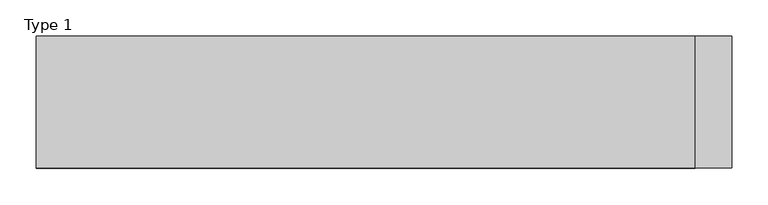
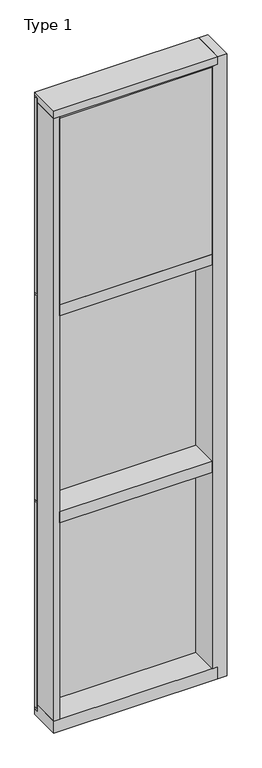
"""IFC4 building model written with IfcOpenShell, lengths in millimetres: plate geometry, Type 1."""

from ifc_helpers import new_model, si_unit, frame, origin, place, context, project, spatial, polyline, outline, extrude, faceted_brep, source, transform, mapped, element, save


def type_1_56a19e54(model_context):
    return source(origin(), model_context, "Body", "SolidModel", [
        extrude(outline(polyline([(457.3130925, 27.6881517), (457.3130925, 11.2982336), (444.6141817, 11.2982336), (444.6141817, 27.6881517), (457.3130925, 27.6881517)])), frame((0.0, 0.0, 1225.55), z_axis=(0.0, 0.0, 1.0), x_axis=(1.0, 0.0, 0.0)), (0.0, 0.0, 1.0), 1206.5),
        extrude(outline(polyline([(-444.6141817, 27.6881517), (-444.6141817, 11.2982336), (-457.3130925, 11.2982336), (-457.3130925, 27.6881517), (-444.6141817, 27.6881517)])), frame((0.0, 0.0, 1225.55), z_axis=(0.0, 0.0, 1.0), x_axis=(1.0, 0.0, 0.0)), (0.0, 0.0, 1.0), 1206.5),
        extrude(outline(polyline([(444.6141817, 27.686), (444.6141817, 2.286), (-444.6141817, 2.286), (-444.6141817, 27.686), (444.6141817, 27.686)])), frame((0.0, 0.0, 1225.55), z_axis=(0.0, 0.0, 1.0), x_axis=(1.0, 0.0, 0.0)), (0.0, 0.0, 1.0), 1206.5),
        extrude(outline(polyline([(457.3130925, 27.686), (457.3130925, 6.35), (-457.3130925, 6.35), (-457.3130925, 27.686), (457.3130925, 27.686)])), frame((0.0, 0.0, 2432.05), z_axis=(0.0, 0.0, 1.0), x_axis=(1.0, 0.0, 0.0)), (0.0, 0.0, 1.0), 12.7),
        extrude(outline(polyline([(-457.3130925, -155.9814), (-457.3130925, 2.286), (-425.5630925, 2.286), (-425.5630925, -155.9814), (-457.3130925, -155.9814)])), frame((0.0, 0.0, 31.75), z_axis=(0.0, 0.0, 1.0), x_axis=(1.0, 0.0, 0.0)), (0.0, 0.0, 1.0), 3543.3),
        faceted_brep([(508.1130925, 27.686, 3619.5), (508.1130925, -155.9814, 3619.5), (508.1130925, -155.9814, -38.1), (508.1130925, 27.686, -38.1), (457.3130925, 2.286, 3575.05), (425.5630925, 2.286, 3575.05), (425.5630925, -155.9814, 3575.05), (457.3130925, -155.9814, 3575.05), (457.3130925, 27.686, 3619.5), (457.3130925, -155.9814, 3619.5), (457.3130925, -155.9814, -38.1), (457.3130925, 27.686, -38.1), (425.5630925, -155.9814, 31.75), (457.3130925, -155.9814, 31.75), (457.3130925, 2.286, 31.75), (425.5630925, 2.286, 31.75)], [[[0, 1, 2, 3]], [[4, 5, 6, 7]], [[1, 0, 8, 9]], [[2, 10, 11, 3]], [[1, 9, 7, 6, 12, 13, 10, 2]], [[9, 8, 11, 10, 13, 14, 4, 7]], [[8, 0, 3, 11]], [[13, 12, 15, 14]], [[6, 5, 15, 12]], [[5, 4, 14, 15]]]),
        extrude(outline(polyline([(425.5641817, -48.6409999), (425.5641817, -156.32684), (-425.5630925, -156.32684), (-425.5630925, -48.6409999), (425.5641817, -48.6409999)])), frame((0.0, 0.0, 2470.15), z_axis=(0.0, 0.0, 1.0), x_axis=(1.0, 0.0, 0.0)), (0.0, 0.0, 1.0), 1098.6493556),
        extrude(outline(polyline([(457.3130925, 27.6881517), (457.3130925, 11.2982336), (444.6141817, 11.2982336), (444.6141817, 27.6881517), (457.3130925, 27.6881517)])), frame((0.0, 0.0, 2444.75), z_axis=(0.0, 0.0, 1.0), x_axis=(1.0, 0.0, 0.0)), (0.0, 0.0, 1.0), 1149.35),
        extrude(outline(polyline([(-444.6141817, 27.6881517), (-444.6141817, 11.2982336), (-457.3130925, 11.2982336), (-457.3130925, 27.6881517), (-444.6141817, 27.6881517)])), frame((0.0, 0.0, 2444.75), z_axis=(0.0, 0.0, 1.0), x_axis=(1.0, 0.0, 0.0)), (0.0, 0.0, 1.0), 1149.35),
        extrude(outline(polyline([(444.6141817, 27.686), (444.6141817, 2.286), (-444.6141817, 2.286), (-444.6141817, 27.686), (444.6141817, 27.686)])), frame((0.0, 0.0, 2444.75), z_axis=(0.0, 0.0, 1.0), x_axis=(1.0, 0.0, 0.0)), (0.0, 0.0, 1.0), 1149.35),
        extrude(outline(polyline([(457.3130925, 27.6881517), (457.3130925, 11.2982336), (444.6141817, 11.2982336), (444.6141817, 27.6881517), (457.3130925, 27.6881517)])), frame((0.0, 0.0, 6.35), z_axis=(0.0, 0.0, 1.0), x_axis=(1.0, 0.0, 0.0)), (0.0, 0.0, 1.0), 1206.5),
        extrude(outline(polyline([(-444.6141817, 27.6881517), (-444.6141817, 11.2982336), (-457.3130925, 11.2982336), (-457.3130925, 27.6881517), (-444.6141817, 27.6881517)])), frame((0.0, 0.0, 6.35), z_axis=(0.0, 0.0, 1.0), x_axis=(1.0, 0.0, 0.0)), (0.0, 0.0, 1.0), 1206.5),
        extrude(outline(polyline([(444.6141817, 27.686), (444.6141817, 2.286), (-444.6141817, 2.286), (-444.6141817, 27.686), (444.6141817, 27.686)])), frame((0.0, 0.0, 6.35), z_axis=(0.0, 0.0, 1.0), x_axis=(1.0, 0.0, 0.0)), (0.0, 0.0, 1.0), 1206.5),
        extrude(outline(polyline([(457.3130925, 27.686), (457.3130925, 6.35), (-457.3130925, 6.35), (-457.3130925, 27.686), (457.3130925, 27.686)])), frame((0.0, 0.0, 1212.85), z_axis=(0.0, 0.0, 1.0), x_axis=(1.0, 0.0, 0.0)), (0.0, 0.0, 1.0), 12.7),
        extrude(outline(polyline([(-425.5630925, -155.4734), (-425.5630925, 2.2859999), (425.5630925, 2.2859999), (425.5630925, -155.4734), (-425.5630925, -155.4734)])), frame((0.0, 0.0, 1187.45), z_axis=(0.0, 0.0, 1.0), x_axis=(1.0, 0.0, 0.0)), (0.0, 0.0, 1.0), 63.5),
        extrude(outline(polyline([(-457.3130925, 15.9510838), (-457.3130925, 27.6859999), (457.3130925, 27.6859999), (457.3130925, 15.9510838), (-457.3130925, 15.9510838)])), frame((0.0, 0.0, 3594.7366239), z_axis=(0.0, 0.0, 1.0), x_axis=(1.0, 0.0, 0.0)), (0.0, 0.0, 1.0), 6.7161694),
        extrude(outline(polyline([(27.686, 3619.5), (27.686, 3601.4527933), (2.286, 3601.4527933), (2.286, 3575.6866239), (-155.4734, 3575.6866239), (-155.4734, 3619.5), (27.686, 3619.5)])), frame((-457.3130925, 0.0, 0.0), z_axis=(1.0, 0.0, 0.0), x_axis=(0.0, 1.0, 0.0)), (0.0, 0.0, 1.0), 914.6261849),
        extrude(outline(polyline([(-457.3130925, 5.0946564), (-457.3130925, 27.6881517), (457.3130925, 27.6881517), (457.3130925, 5.0946564), (-457.3130925, 5.0946564)])), frame((0.0, 0.0, -6.2984797), z_axis=(0.0, 0.0, 1.0), x_axis=(1.0, 0.0, 0.0)), (0.0, 0.0, 1.0), 12.6484797),
        extrude(outline(polyline([(-425.5630925, -155.4734), (-425.5630925, 2.2859999), (425.5630925, 2.2859999), (425.5630925, -155.4734), (-425.5630925, -155.4734)])), frame((0.0, 0.0, 2406.65), z_axis=(0.0, 0.0, 1.0), x_axis=(1.0, 0.0, 0.0)), (0.0, 0.0, 1.0), 63.5),
        extrude(outline(polyline([(2.2859999, 31.75), (2.2859999, -6.2983857), (27.6858239, -6.2983857), (27.6858239, -38.1), (-155.6004, -38.1), (-155.6004, 31.75), (2.2859999, 31.75)])), frame((-457.3130925, 0.0, 0.0), z_axis=(1.0, 0.0, 0.0), x_axis=(0.0, 1.0, 0.0)), (0.0, 0.0, 1.0), 914.6261849),
    ])


if __name__ == "__main__":
    model = new_model("IFC4")
    model_context = context("Model", 3, world=origin())
    ifc_project = project(units=[si_unit("LENGTHUNIT", "METRE", prefix="MILLI")], contexts=[model_context])
    site = spatial("IfcSite", under=ifc_project)
    building = spatial("IfcBuilding", under=site)
    placement = place(None, origin())
    type_1_shape = type_1_56a19e54(model_context)
    element("IfcPlate", 1, ObjectType="Type 1", at=placement, inside=building, context=model_context, shape_type="MappedRepresentation", body=[
        mapped(type_1_shape, transform((0.0, 0.0, 0.0), x_axis=(1.0, 0.0, 0.0), y_axis=(0.0, 1.0, 0.0), z_axis=(0.0, 0.0, 1.0))),
    ])
    save(model, "model.ifc")
